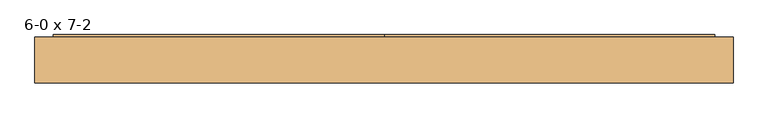
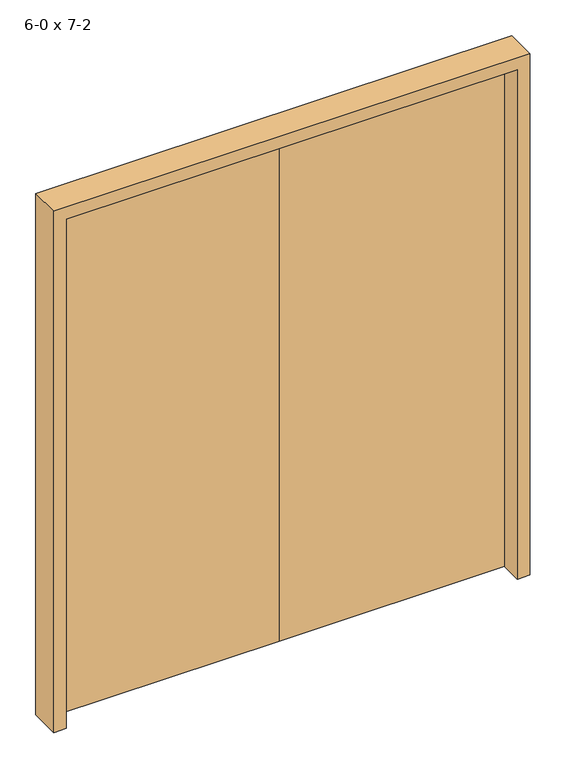
"""IFC4 building model written with IfcOpenShell, lengths in millimetres: door geometry, 6-0 x 7-2."""

from ifc_helpers import new_model, si_unit, frame, origin, origin_with_axes, place, context, project, spatial, polyline, outline, extrude, source, transform, mapped, element, save


def door_6_0_x_7_2_34056ee8(model_context):
    return source(origin(), model_context, "Body", "SweptSolid", [
        extrude(outline(polyline([(2235.2, -914.4), (0.0, -914.4), (0.0, -863.6), (2184.4, -863.6), (2184.4, 965.2), (0.0, 965.2), (0.0, 1016.0), (2235.2, 1016.0), (2235.2, -914.4)])), frame((0.0, -70.1075878, 0.0), z_axis=(0.0, 1.0, 0.0), x_axis=(0.0, 0.0, 1.0)), (0.0, 0.0, 1.0), 127.0),
        extrude(outline(polyline([(50.8, 18.7924122), (-863.6, 18.7924122), (-863.6, 63.2424122), (50.8, 63.2424122), (50.8, 18.7924122)])), origin_with_axes(), (0.0, 0.0, 1.0), 2184.4),
        extrude(outline(polyline([(965.2, 18.7924122), (50.8, 18.7924122), (50.8, 63.2424122), (965.2, 63.2424122), (965.2, 18.7924122)])), origin_with_axes(), (0.0, 0.0, 1.0), 2184.4),
    ])


if __name__ == "__main__":
    model = new_model("IFC4")
    model_context = context("Model", 3, world=origin())
    ifc_project = project(units=[si_unit("LENGTHUNIT", "METRE", prefix="MILLI")], contexts=[model_context])
    site = spatial("IfcSite", under=ifc_project)
    building = spatial("IfcBuilding", under=site)
    placement = place(None, origin())
    door_6_0_x_7_2_shape = door_6_0_x_7_2_34056ee8(model_context)
    element("IfcDoor", 1, ObjectType="6-0 x 7-2", at=placement, inside=building, context=model_context, shape_type="MappedRepresentation", body=[
        mapped(door_6_0_x_7_2_shape, transform((0.0, 0.0, 0.0), x_axis=(1.0, 0.0, 0.0), y_axis=(0.0, 1.0, 0.0), z_axis=(0.0, 0.0, 1.0))),
    ])
    save(model, "model.ifc")
